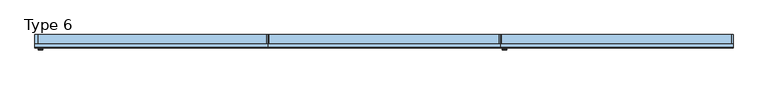
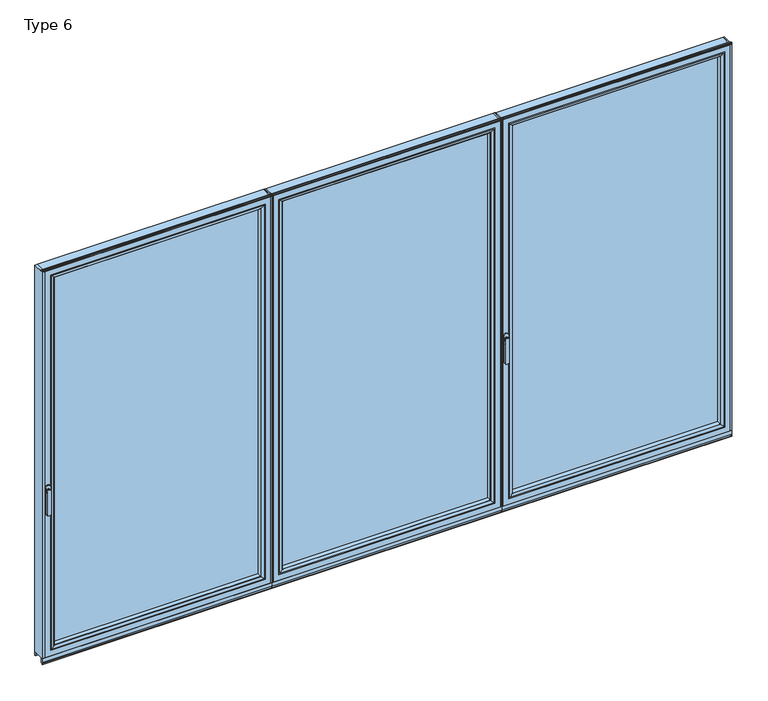
"""IFC4 building model written with IfcOpenShell, lengths in millimetres: window geometry, Type 6."""

from ifc_helpers import new_model, si_unit, point, frame, frame_2d, origin, place, context, project, spatial, polyline, circle_curve, ellipse_curve, trimmed, segment, composite_curve, outline, extrude, source, transform, mapped, element, save
from ifc_brep_helpers import plane_surface, cylinder_surface, extruded_surface, advanced_brep


def type_6_9a5353aa(model_context):
    return source(origin(), model_context, "Body", "SolidModel", [
        advanced_brep(
        [(42.2886308, -73.5, 1050.0), (18.3113692, -73.5, 1050.0), (42.2886308, -76.8965533, 1050.0), (18.3113692, -76.8965533, 1050.0), (42.2886308, -84.5, 1050.0), (18.3113692, -84.5, 1050.0), (18.3113692, -84.5, 918.6867153), (42.2886308, -84.5, 918.6867153), (42.2886308, -76.8965533, 918.6867153), (18.3113692, -76.8965533, 918.6867153)],
        [
            (0, 1, circle_curve(frame((30.3, -73.5, 1050.0), z_axis=(0.0, 1.0, 0.0), x_axis=(-1.0, 0.0, 0.0)), 11.9886308)),
            (1, 0, circle_curve(frame((30.3, -73.5, 1050.0), z_axis=(0.0, 1.0, 0.0), x_axis=(-1.0, 0.0, 0.0)), 11.9886308)),
            (0, 2),
            (2, 3, circle_curve(frame((30.3, -76.8965533, 1050.0), z_axis=(0.0, 1.0, 0.0), x_axis=(-1.0, 0.0, 0.0)), 11.9886308)),
            (3, 1),
            (3, 2, circle_curve(frame((30.3, -76.8965533, 1050.0), z_axis=(0.0, 1.0, 0.0), x_axis=(-1.0, 0.0, 0.0)), 11.9886308)),
            (4, 5, circle_curve(frame((30.3, -84.5, 1050.0), z_axis=(0.0, -1.0, 0.0), x_axis=(-1.0, 0.0, 0.0)), 11.9886308)),
            (5, 6),
            (6, 7, ellipse_curve(frame((30.3, -84.5, 918.6867153), z_axis=(0.0, -1.0, 0.0), x_axis=(1.0, 0.0, 0.0)), 11.9886308, 7.9050795)),
            (7, 4),
            (2, 8),
            (8, 9, ellipse_curve(frame((30.3, -76.8965533, 918.6867153), z_axis=(0.0, 1.0, 0.0), x_axis=(1.0, 0.0, 0.0)), 11.9886308, 7.9050795)),
            (9, 3),
            (7, 8),
            (2, 4),
            (6, 9),
            (5, 3),
        ],
        [
            plane_surface(frame((18.3113692, -73.5, 1050.0), z_axis=(0.0, 1.0, 0.0), x_axis=(0.0, 0.0, -1.0))),
            cylinder_surface(frame((30.3, -73.5, 1050.0), z_axis=(0.0, -1.0, 0.0), x_axis=(-1.0, 0.0, 0.0)), 11.9886308),
            plane_surface(frame((42.2886308, -84.5, 928.3382074), z_axis=(0.0, -1.0, 0.0), x_axis=(0.0, 0.0, -1.0))),
            plane_surface(frame((42.2886308, -76.8965533, 928.3382074), z_axis=(0.0, 1.0, 0.0), x_axis=(0.0, 0.0, 1.0))),
            plane_surface(frame((42.2886308, -84.5, 1050.0), z_axis=(1.0, 0.0, 0.0), x_axis=(0.0, 1.0, 0.0))),
            extruded_surface(trimmed(ellipse_curve(frame((30.3, -76.8965533, 918.6867153), z_axis=(0.0, 1.0, 0.0), x_axis=(1.0, 0.0, 0.0)), 11.9886308, 7.9050795), [point((42.2886308, -76.8965533, 918.6867153))], [point((18.3113692, -76.8965533, 918.6867153))], True, "CARTESIAN"), (0.0, 7.603446699999992, 0.0), 7.603446699999992),
            plane_surface(frame((18.3113692, -84.5, 918.6867153), z_axis=(-1.0, 0.0, 0.0), x_axis=(0.0, 1.0, 0.0))),
            cylinder_surface(frame((30.3, -76.8965533, 1050.0), z_axis=(0.0, -1.0, 0.0), x_axis=(-1.0, 0.0, 0.0)), 11.9886308),
        ],
        [
            (0, [[1, 2]]),
            (1, [[3, 4, 5, -1]]),
            (1, [[-5, 6, -3, -2]]),
            (2, [[7, 8, 9, 10]]),
            (3, [[-4, 11, 12, 13]]),
            (4, [[14, -11, 15, -10]]),
            (5, [[16, -12, -14, -9]]),
            (6, [[17, -13, -16, -8]]),
            (7, [[-15, -6, -17, -7]]),
        ],
    ),
        extrude(outline(composite_curve([segment(trimmed(circle_curve(frame_2d((1068.75, 30.3)), 14.0), [point((1068.75, 44.3))], [point((1068.75, 16.3))], False, "CARTESIAN"), True, "CONTINUOUS"), segment(polyline([(1068.75, 16.3), (1031.25, 16.3)]), True, "CONTINUOUS"), segment(trimmed(circle_curve(frame_2d((1031.25, 30.3)), 14.0), [point((1031.25, 16.3))], [point((1031.25, 44.3))], False, "CARTESIAN"), True, "CONTINUOUS"), segment(polyline([(1031.25, 44.3), (1068.75, 44.3)]), True, "CONTINUOUS")], self_intersect=False)), frame((0.0, -73.5, 0.0), z_axis=(0.0, 1.0, 0.0), x_axis=(0.0, 0.0, 1.0)), (0.0, 0.0, 1.0), 3.5),
        extrude(outline(polyline([(1272.9333333, 0.0), (1272.9333333, -70.0), (1266.9333333, -70.0), (1266.9333333, 0.0), (1272.9333333, 0.0)])), frame((0.0, 0.0, 75.0), z_axis=(0.0, 0.0, 1.0), x_axis=(1.0, 0.0, 0.0)), (0.0, 0.0, 1.0), 2262.0),
        extrude(outline(polyline([(0.0, 0.0), (14.3, 0.0), (14.3, -70.0), (0.0, -70.0), (0.0, 0.0)])), frame((0.0, 0.0, 75.0), z_axis=(0.0, 0.0, 1.0), x_axis=(1.0, 0.0, 0.0)), (0.0, 0.0, 1.0), 2262.0),
        extrude(outline(polyline([(1234.9333333, -13.999939), (1234.9333333, -37.9928974), (46.3, -37.9928974), (46.3, -13.999939), (1234.9333333, -13.999939)])), frame((0.0, 0.0, 107.0), z_axis=(0.0, 0.0, 1.0), x_axis=(1.0, 0.0, 0.0)), (0.0, 0.0, 1.0), 2198.0),
        advanced_brep(
        [(68.2995728, -64.5552044, 2283.0004272), (68.2995728, -64.5552044, 128.9995728), (68.2995728, -37.9928974, 128.9995728), (68.2995728, -37.9928974, 2283.0004272), (46.3, -37.9928974, 2305.0), (1234.9333333, -37.9928974, 2305.0), (1234.9333333, -37.9928974, 107.0), (46.3, -37.9928974, 107.0), (1212.9337606, -37.9928974, 2283.0004272), (1212.9337606, -37.9928974, 128.9995728), (1212.9337606, -64.5552044, 128.9995728), (67.5900293, -65.8045072, 2283.7099707), (67.5900293, -65.8045072, 128.2900293), (1213.643304, -65.8045072, 128.2900293), (52.299939, -70.0, 2299.000061), (52.299939, -70.0, 112.999939), (1228.9333944, -70.0, 112.999939), (1234.9333333, -70.0, 2305.0), (46.3, -70.0, 2305.0), (46.3, -70.0, 107.0), (1234.9333333, -70.0, 107.0), (1228.9333944, -70.0, 2299.000061), (1212.9337606, -64.5552044, 2283.0004272), (1213.643304, -65.8045072, 2283.7099707)],
        [
            (0, 1),
            (1, 2),
            (2, 3),
            (3, 0),
            (4, 5),
            (5, 6),
            (6, 7),
            (7, 4),
            (8, 3),
            (2, 9),
            (9, 8),
            (1, 10),
            (10, 9),
            (11, 12),
            (12, 1, ellipse_curve(frame((66.8449688, -64.5552044, 127.5449688), z_axis=(-0.7071067811865475, 0.0, 0.7071067811865475), x_axis=(0.7071067811865474, 0.0, 0.7071067811865476)), 2.0571207, 1.454604)),
            (0, 11, ellipse_curve(frame((66.8449688, -64.5552044, 2284.4550312), z_axis=(-0.7071067811865475, 0.0, -0.7071067811865475), x_axis=(-0.7071067811865474, 0.0, 0.7071067811865476)), 2.0571207, 1.454604)),
            (12, 13),
            (13, 10, ellipse_curve(frame((1214.3883645, -64.5552044, 127.5449688), z_axis=(-0.7071067811865475, 0.0, -0.7071067811865475), x_axis=(-0.7071067811865476, 0.0, 0.7071067811865474)), 2.0571207, 1.454604)),
            (14, 15),
            (15, 12, ellipse_curve(frame((52.3638746, -40.2735922, 113.0638746), z_axis=(-0.7071067811865475, 0.0, 0.7071067811865475), x_axis=(0.7071067811865474, 0.0, 0.7071067811865476)), 42.0395863, 29.7264765)),
            (11, 14, ellipse_curve(frame((52.3638746, -40.2735922, 2298.9361254), z_axis=(-0.7071067811865475, 0.0, -0.7071067811865475), x_axis=(-0.7071067811865474, 0.0, 0.7071067811865476)), 42.0395863, 29.7264765)),
            (15, 16),
            (16, 13, ellipse_curve(frame((1228.8694588, -40.2735922, 113.0638746), z_axis=(-0.7071067811865475, 0.0, -0.7071067811865475), x_axis=(-0.7071067811865476, 0.0, 0.7071067811865474)), 42.0395863, 29.7264765)),
            (17, 18),
            (18, 19),
            (19, 20),
            (20, 17),
            (14, 21),
            (21, 16),
            (7, 19),
            (18, 4),
            (6, 20),
            (10, 22),
            (22, 8),
            (13, 23),
            (23, 22, ellipse_curve(frame((1214.3883645, -64.5552044, 2284.4550312), z_axis=(0.7071067811865475, 0.0, -0.7071067811865475), x_axis=(-0.7071067811865474, 0.0, -0.7071067811865476)), 2.0571207, 1.454604)),
            (21, 23, ellipse_curve(frame((1228.8694588, -40.2735922, 2298.9361254), z_axis=(0.7071067811865475, 0.0, -0.7071067811865475), x_axis=(-0.7071067811865474, 0.0, -0.7071067811865476)), 42.0395863, 29.7264765)),
            (5, 17),
            (22, 0),
            (23, 11),
        ],
        [
            plane_surface(frame((68.2995728, -37.9928974, 2283.0004272), z_axis=(1.0, 0.0, 0.0), x_axis=(0.0, 0.0, -1.0))),
            plane_surface(frame((1234.9333333, -37.9928974, 107.0), z_axis=(0.0, 1.0, 0.0), x_axis=(0.0, 0.0, 1.0))),
            plane_surface(frame((68.2995728, -37.9928974, 128.9995728), z_axis=(0.0, 0.0, 1.0), x_axis=(1.0, 0.0, 0.0))),
            cylinder_surface(frame((66.8449688, -64.5552044, 2283.0004272), z_axis=(0.0, 0.0, 1.0), x_axis=(-1.0, 0.0, 0.0)), 1.454604),
            cylinder_surface(frame((68.2995728, -64.5552044, 127.5449688), z_axis=(-1.0, 0.0, 0.0), x_axis=(0.0, 0.0, -1.0)), 1.454604),
            cylinder_surface(frame((52.3638746, -40.2735922, 2283.0004272), z_axis=(0.0, 0.0, 1.0), x_axis=(-1.0, 0.0, 0.0)), 29.7264765),
            cylinder_surface(frame((68.2995728, -40.2735922, 113.0638746), z_axis=(-1.0, 0.0, 0.0), x_axis=(0.0, 0.0, -1.0)), 29.7264765),
            plane_surface(frame((1228.9333944, -70.0, 112.999939), z_axis=(0.0, -1.0, 0.0), x_axis=(0.0, 0.0, 1.0))),
            plane_surface(frame((46.3, -70.0, 2305.0), z_axis=(-1.0, 0.0, 0.0), x_axis=(0.0, 0.0, -1.0))),
            plane_surface(frame((46.3, -70.0, 107.0), z_axis=(0.0, 0.0, -1.0), x_axis=(1.0, 0.0, 0.0))),
            plane_surface(frame((1212.9337606, -37.9928974, 128.9995728), z_axis=(-1.0, 0.0, 0.0), x_axis=(0.0, 0.0, 1.0))),
            cylinder_surface(frame((1214.3883645, -64.5552044, 128.9995728), z_axis=(0.0, 0.0, -1.0), x_axis=(1.0, 0.0, 0.0)), 1.454604),
            cylinder_surface(frame((1228.8694588, -40.2735922, 128.9995728), z_axis=(0.0, 0.0, -1.0), x_axis=(1.0, 0.0, 0.0)), 29.7264765),
            plane_surface(frame((1234.9333333, -70.0, 107.0), z_axis=(1.0, 0.0, 0.0), x_axis=(0.0, 0.0, 1.0))),
            plane_surface(frame((1212.9337606, -37.9928974, 2283.0004272), z_axis=(0.0, 0.0, -1.0), x_axis=(-1.0, 0.0, 0.0))),
            cylinder_surface(frame((1212.9337606, -64.5552044, 2284.4550312), z_axis=(1.0, 0.0, 0.0), x_axis=(0.0, 0.0, 1.0)), 1.454604),
            cylinder_surface(frame((1212.9337606, -40.2735922, 2298.9361254), z_axis=(1.0, 0.0, 0.0), x_axis=(0.0, 0.0, 1.0)), 29.7264765),
            plane_surface(frame((1234.9333333, -70.0, 2305.0), z_axis=(0.0, 0.0, 1.0), x_axis=(-1.0, 0.0, 0.0))),
        ],
        [
            (0, [[1, 2, 3, 4]]),
            (1, [[5, 6, 7, 8], [9, -3, 10, 11]]),
            (2, [[12, 13, -10, -2]]),
            (3, [[14, 15, -1, 16]]),
            (4, [[17, 18, -12, -15]]),
            (5, [[19, 20, -14, 21]]),
            (6, [[22, 23, -17, -20]]),
            (7, [[24, 25, 26, 27], [28, 29, -22, -19]]),
            (8, [[-8, 30, -25, 31]]),
            (9, [[-7, 32, -26, -30]]),
            (10, [[33, 34, -11, -13]]),
            (11, [[35, 36, -33, -18]]),
            (12, [[-29, 37, -35, -23]]),
            (13, [[-6, 38, -27, -32]]),
            (14, [[39, -4, -9, -34]]),
            (15, [[40, -16, -39, -36]]),
            (16, [[-28, -21, -40, -37]]),
            (17, [[-5, -31, -24, -38]]),
        ],
    ),
        advanced_brep(
        [(1266.9333333, -70.0, 2337.0), (1266.9333333, -70.0, 75.0), (1266.9333333, 0.0, 75.0), (1266.9333333, 0.0, 2337.0), (14.3, -70.0, 75.0), (14.3, 0.0, 75.0), (14.3, 0.0, 2337.0), (63.7991901, 0.0, 124.4991901), (1217.4341433, 0.0, 124.4991901), (1217.4341433, 0.0, 2287.5008099), (63.7991901, 0.0, 2287.5008099), (14.3, -70.0, 2337.0), (1234.9333333, -70.0, 107.0), (46.3, -70.0, 107.0), (46.3, -70.0, 2305.0), (1234.9333333, -70.0, 2305.0), (1234.9333333, -13.999939, 2305.0), (1234.9333333, -13.999939, 107.0), (46.3, -13.999939, 107.0), (46.3, -13.999939, 2305.0), (1212.9337606, -13.999939, 128.9995728), (68.2995728, -13.999939, 128.9995728), (68.2995728, -13.999939, 2283.0004272), (1212.9337606, -13.999939, 2283.0004272), (1212.9337606, -4.5004435, 2283.0004272), (1212.9337606, -4.5004435, 128.9995728), (68.2995728, -4.5004435, 128.9995728), (68.2995728, -4.5004435, 2283.0004272)],
        [
            (0, 1),
            (1, 2),
            (2, 3),
            (3, 0),
            (1, 4),
            (4, 5),
            (5, 2),
            (5, 6),
            (6, 3),
            (7, 8),
            (8, 9),
            (9, 10),
            (10, 7),
            (4, 11),
            (11, 6),
            (0, 11),
            (12, 13),
            (13, 14),
            (14, 15),
            (15, 12),
            (16, 17),
            (17, 12),
            (15, 16),
            (17, 18),
            (18, 13),
            (18, 19),
            (19, 14),
            (16, 19),
            (20, 21),
            (21, 22),
            (22, 23),
            (23, 20),
            (24, 25),
            (25, 20),
            (23, 24),
            (25, 26),
            (26, 21),
            (26, 27),
            (27, 22),
            (7, 26, ellipse_curve(frame((63.7991901, -4.5004435, 124.4991901), z_axis=(0.7071067811865475, 0.0, -0.7071067811865475), x_axis=(0.7071067811865476, 0.0, 0.7071067811865474)), 6.3645023, 4.5003827)),
            (25, 8, ellipse_curve(frame((1217.4341433, -4.5004435, 124.4991901), z_axis=(-0.7071067811865475, 0.0, -0.7071067811865475), x_axis=(0.7071067811865476, 0.0, -0.7071067811865474)), 6.3645023, 4.5003827)),
            (24, 9, ellipse_curve(frame((1217.4341433, -4.5004435, 2287.5008099), z_axis=(0.7071067811865475, 0.0, -0.7071067811865475), x_axis=(0.7071067811865474, 0.0, 0.7071067811865476)), 6.3645023, 4.5003827)),
            (10, 27, ellipse_curve(frame((63.7991901, -4.5004435, 2287.5008099), z_axis=(-0.7071067811865475, 0.0, -0.7071067811865475), x_axis=(0.7071067811865474, 0.0, -0.7071067811865476)), 6.3645023, 4.5003827)),
            (27, 24),
        ],
        [
            plane_surface(frame((1266.9333333, 0.0, 2337.0), z_axis=(1.0, 0.0, 0.0), x_axis=(0.0, 0.0, -1.0))),
            plane_surface(frame((1266.9333333, 0.0, 75.0), z_axis=(0.0, 0.0, -1.0), x_axis=(-1.0, 0.0, 0.0))),
            plane_surface(frame((1217.4341433, 0.0, 2287.5008099), z_axis=(0.0, 1.0, 0.0), x_axis=(0.0, 0.0, -1.0))),
            plane_surface(frame((14.3, 0.0, 75.0), z_axis=(-1.0, 0.0, 0.0), x_axis=(0.0, 0.0, 1.0))),
            plane_surface(frame((1266.9333333, -70.0, 2337.0), z_axis=(0.0, -1.0, 0.0), x_axis=(0.0, 0.0, -1.0))),
            plane_surface(frame((1234.9333333, -70.0, 2305.0), z_axis=(-1.0, 0.0, 0.0), x_axis=(0.0, 0.0, -1.0))),
            plane_surface(frame((1234.9333333, -70.0, 107.0), z_axis=(0.0, 0.0, 1.0), x_axis=(-1.0, 0.0, 0.0))),
            plane_surface(frame((46.3, -70.0, 107.0), z_axis=(1.0, 0.0, 0.0), x_axis=(0.0, 0.0, 1.0))),
            plane_surface(frame((1234.9333333, -13.999939, 2305.0), z_axis=(0.0, -1.0, 0.0), x_axis=(0.0, 0.0, -1.0))),
            plane_surface(frame((1212.9337606, -13.999939, 2283.0004272), z_axis=(-1.0, 0.0, 0.0), x_axis=(0.0, 0.0, -1.0))),
            plane_surface(frame((1212.9337606, -13.999939, 128.9995728), z_axis=(0.0, 0.0, 1.0), x_axis=(-1.0, 0.0, 0.0))),
            plane_surface(frame((68.2995728, -13.999939, 128.9995728), z_axis=(1.0, 0.0, 0.0), x_axis=(0.0, 0.0, 1.0))),
            cylinder_surface(frame((1272.9333333, -4.5004435, 124.4991901), z_axis=(1.0, 0.0, 0.0), x_axis=(0.0, -1.0, 0.0)), 4.5003827),
            cylinder_surface(frame((1217.4341433, -4.5004435, 2343.0), z_axis=(0.0, 0.0, 1.0), x_axis=(0.0, -1.0, 0.0)), 4.5003827),
            cylinder_surface(frame((63.7991901, -4.5004435, 69.0), z_axis=(0.0, 0.0, -1.0), x_axis=(0.0, -1.0, 0.0)), 4.5003827),
            plane_surface(frame((14.3, 0.0, 2337.0), z_axis=(0.0, 0.0, 1.0), x_axis=(1.0, 0.0, 0.0))),
            plane_surface(frame((46.3, -70.0, 2305.0), z_axis=(0.0, 0.0, -1.0), x_axis=(1.0, 0.0, 0.0))),
            plane_surface(frame((68.2995728, -13.999939, 2283.0004272), z_axis=(0.0, 0.0, -1.0), x_axis=(1.0, 0.0, 0.0))),
            cylinder_surface(frame((8.3, -4.5004435, 2287.5008099), z_axis=(-1.0, 0.0, 0.0), x_axis=(0.0, -1.0, 0.0)), 4.5003827),
        ],
        [
            (0, [[1, 2, 3, 4]]),
            (1, [[5, 6, 7, -2]]),
            (2, [[-7, 8, 9, -3], [10, 11, 12, 13]]),
            (3, [[14, 15, -8, -6]]),
            (4, [[-5, -1, 16, -14], [17, 18, 19, 20]]),
            (5, [[21, 22, -20, 23]]),
            (6, [[24, 25, -17, -22]]),
            (7, [[26, 27, -18, -25]]),
            (8, [[-24, -21, 28, -26], [29, 30, 31, 32]]),
            (9, [[33, 34, -32, 35]]),
            (10, [[36, 37, -29, -34]]),
            (11, [[38, 39, -30, -37]]),
            (12, [[-10, 40, -36, 41]]),
            (13, [[-11, -41, -33, 42]]),
            (14, [[-13, 43, -38, -40]]),
            (15, [[-16, -4, -9, -15]]),
            (16, [[-28, -23, -19, -27]]),
            (17, [[44, -35, -31, -39]]),
            (18, [[-12, -42, -44, -43]]),
        ],
    ),
        extrude(outline(polyline([(1272.9333333, -7.6000076), (0.0, -7.6000076), (0.0, 0.0), (1272.9333333, 0.0), (1272.9333333, -7.6000076)])), frame((0.0, 0.0, 52.9995117), z_axis=(0.0, 0.0, 1.0), x_axis=(1.0, 0.0, 0.0)), (0.0, 0.0, 1.0), 22.0004883),
        extrude(outline(composite_curve([segment(polyline([(-70.0, 45.0), (-70.0, 41.2896854), (-70.8737, 41.2896854), (-71.8670103, 44.9870904)]), True, "CONTINUOUS"), segment(trimmed(circle_curve(frame_2d((-69.9354978, 45.5059925)), 2.0), [point((-71.8670103, 44.9870904))], [point((-71.8566157, 46.0621453))], False, "CARTESIAN"), True, "CONTINUOUS"), segment(polyline([(-71.8566157, 46.0621453), (-70.0, 52.4754501), (-70.0, 75.0), (-62.2757497, 75.0), (-62.2757497, 45.0), (-70.0, 45.0)]), True, "CONTINUOUS")], self_intersect=False)), frame((0.0, 0.0, 0.0), z_axis=(1.0, 0.0, 0.0), x_axis=(0.0, 1.0, 0.0)), (0.0, 0.0, 1.0), 1272.9333333),
        extrude(outline(composite_curve([segment(polyline([(-52.044326, 2339.1400778), (-52.044326, 2337.0), (-70.0, 2337.0), (-71.8735116, 2343.9547971)]), True, "CONTINUOUS"), segment(trimmed(circle_curve(frame_2d((-69.9423544, 2344.4750201)), 2.0), [point((-71.8735116, 2343.9547971))], [point((-71.8738669, 2344.9939222))], False, "CARTESIAN"), True, "CONTINUOUS"), segment(polyline([(-71.8738669, 2344.9939222), (-70.8937897, 2348.6420698), (-70.0, 2348.6420698), (-70.0, 2342.963961), (-68.6363596, 2339.1400778), (-52.044326, 2339.1400778)]), True, "CONTINUOUS")], self_intersect=False)), frame((0.0, 0.0, 0.0), z_axis=(1.0, 0.0, 0.0), x_axis=(0.0, 1.0, 0.0)), (0.0, 0.0, 1.0), 1272.9333333),
        extrude(outline(polyline([(1272.9333333, 0.0), (1278.9333333, 0.0), (1278.9333333, -70.0), (1272.9333333, -70.0), (1272.9333333, 0.0)])), frame((0.0, 0.0, 75.0), z_axis=(0.0, 0.0, 1.0), x_axis=(1.0, 0.0, 0.0)), (0.0, 0.0, 1.0), 2262.0),
        extrude(outline(polyline([(2545.8666667, 0.0), (2545.8666667, -70.0), (2539.8666667, -70.0), (2539.8666667, 0.0), (2545.8666667, 0.0)])), frame((0.0, 0.0, 75.0), z_axis=(0.0, 0.0, 1.0), x_axis=(1.0, 0.0, 0.0)), (0.0, 0.0, 1.0), 2262.0),
        extrude(outline(polyline([(1310.9333333, -13.999939), (2507.8666667, -13.999939), (2507.8666667, -37.9928974), (1310.9333333, -37.9928974), (1310.9333333, -13.999939)])), frame((0.0, 0.0, 107.0), z_axis=(0.0, 0.0, 1.0), x_axis=(1.0, 0.0, 0.0)), (0.0, 0.0, 1.0), 2198.0),
        advanced_brep(
        [(2485.8670939, -64.5552044, 2283.0004272), (2485.8670939, -37.9928974, 2283.0004272), (2485.8670939, -37.9928974, 128.9995728), (2485.8670939, -64.5552044, 128.9995728), (2507.8666667, -37.9928974, 2305.0), (2507.8666667, -37.9928974, 107.0), (1310.9333333, -37.9928974, 107.0), (1310.9333333, -37.9928974, 2305.0), (1332.9329061, -37.9928974, 2283.0004272), (1332.9329061, -37.9928974, 128.9995728), (1332.9329061, -64.5552044, 128.9995728), (2486.5766373, -65.8045072, 2283.7099707), (2486.5766373, -65.8045072, 128.2900293), (1332.2233627, -65.8045072, 128.2900293), (2501.8667277, -70.0, 2299.000061), (2501.8667277, -70.0, 112.999939), (1316.9332723, -70.0, 112.999939), (1310.9333333, -70.0, 2305.0), (1310.9333333, -70.0, 107.0), (2507.8666667, -70.0, 107.0), (2507.8666667, -70.0, 2305.0), (1316.9332723, -70.0, 2299.000061), (1332.9329061, -64.5552044, 2283.0004272), (1332.2233627, -65.8045072, 2283.7099707)],
        [
            (0, 1),
            (1, 2),
            (2, 3),
            (3, 0),
            (4, 5),
            (5, 6),
            (6, 7),
            (7, 4),
            (8, 9),
            (9, 2),
            (1, 8),
            (9, 10),
            (10, 3),
            (11, 0, ellipse_curve(frame((2487.3216979, -64.5552044, 2284.4550312), z_axis=(0.7071067811865475, 0.0, -0.7071067811865475), x_axis=(0.7071067811865474, 0.0, 0.7071067811865476)), 2.0571207, 1.454604)),
            (3, 12, ellipse_curve(frame((2487.3216979, -64.5552044, 127.5449688), z_axis=(0.7071067811865475, 0.0, 0.7071067811865475), x_axis=(-0.7071067811865474, 0.0, 0.7071067811865476)), 2.0571207, 1.454604)),
            (12, 11),
            (10, 13, ellipse_curve(frame((1331.4783021, -64.5552044, 127.5449688), z_axis=(0.7071067811865475, 0.0, -0.7071067811865475), x_axis=(0.7071067811865476, 0.0, 0.7071067811865474)), 2.0571207, 1.454604)),
            (13, 12),
            (14, 11, ellipse_curve(frame((2501.8027921, -40.2735922, 2298.9361254), z_axis=(0.7071067811865475, 0.0, -0.7071067811865475), x_axis=(0.7071067811865474, 0.0, 0.7071067811865476)), 42.0395863, 29.7264765)),
            (12, 15, ellipse_curve(frame((2501.8027921, -40.2735922, 113.0638746), z_axis=(0.7071067811865475, 0.0, 0.7071067811865475), x_axis=(-0.7071067811865474, 0.0, 0.7071067811865476)), 42.0395863, 29.7264765)),
            (15, 14),
            (13, 16, ellipse_curve(frame((1316.9972079, -40.2735922, 113.0638746), z_axis=(0.7071067811865475, 0.0, -0.7071067811865475), x_axis=(0.7071067811865476, 0.0, 0.7071067811865474)), 42.0395863, 29.7264765)),
            (16, 15),
            (17, 18),
            (18, 19),
            (19, 20),
            (20, 17),
            (16, 21),
            (21, 14),
            (4, 20),
            (19, 5),
            (18, 6),
            (8, 22),
            (22, 10),
            (22, 23, ellipse_curve(frame((1331.4783021, -64.5552044, 2284.4550312), z_axis=(-0.7071067811865475, 0.0, -0.7071067811865475), x_axis=(0.7071067811865474, 0.0, -0.7071067811865476)), 2.0571207, 1.454604)),
            (23, 13),
            (23, 21, ellipse_curve(frame((1316.9972079, -40.2735922, 2298.9361254), z_axis=(-0.7071067811865475, 0.0, -0.7071067811865475), x_axis=(0.7071067811865474, 0.0, -0.7071067811865476)), 42.0395863, 29.7264765)),
            (17, 7),
            (0, 22),
            (11, 23),
        ],
        [
            plane_surface(frame((2485.8670939, -37.9928974, 2283.0004272), z_axis=(-1.0, 0.0, 0.0), x_axis=(0.0, 0.0, -1.0))),
            plane_surface(frame((1310.9333333, -37.9928974, 107.0), z_axis=(0.0, 1.0, 0.0), x_axis=(0.0, 0.0, 1.0))),
            plane_surface(frame((2485.8670939, -37.9928974, 128.9995728), z_axis=(0.0, 0.0, 1.0), x_axis=(-1.0, 0.0, 0.0))),
            cylinder_surface(frame((2487.3216979, -64.5552044, 2283.0004272), z_axis=(0.0, 0.0, 1.0), x_axis=(1.0, 0.0, 0.0)), 1.454604),
            cylinder_surface(frame((2485.8670939, -64.5552044, 127.5449688), z_axis=(1.0, 0.0, 0.0), x_axis=(0.0, 0.0, -1.0)), 1.454604),
            cylinder_surface(frame((2501.8027921, -40.2735922, 2283.0004272), z_axis=(0.0, 0.0, 1.0), x_axis=(1.0, 0.0, 0.0)), 29.7264765),
            cylinder_surface(frame((2485.8670939, -40.2735922, 113.0638746), z_axis=(1.0, 0.0, 0.0), x_axis=(0.0, 0.0, -1.0)), 29.7264765),
            plane_surface(frame((1316.9332723, -70.0, 112.999939), z_axis=(0.0, -1.0, 0.0), x_axis=(0.0, 0.0, 1.0))),
            plane_surface(frame((2507.8666667, -70.0, 2305.0), z_axis=(1.0, 0.0, 0.0), x_axis=(0.0, 0.0, -1.0))),
            plane_surface(frame((2507.8666667, -70.0, 107.0), z_axis=(0.0, 0.0, -1.0), x_axis=(-1.0, 0.0, 0.0))),
            plane_surface(frame((1332.9329061, -37.9928974, 128.9995728), z_axis=(1.0, 0.0, 0.0), x_axis=(0.0, 0.0, 1.0))),
            cylinder_surface(frame((1331.4783021, -64.5552044, 128.9995728), z_axis=(0.0, 0.0, -1.0), x_axis=(-1.0, 0.0, 0.0)), 1.454604),
            cylinder_surface(frame((1316.9972079, -40.2735922, 128.9995728), z_axis=(0.0, 0.0, -1.0), x_axis=(-1.0, 0.0, 0.0)), 29.7264765),
            plane_surface(frame((1310.9333333, -70.0, 107.0), z_axis=(-1.0, 0.0, 0.0), x_axis=(0.0, 0.0, 1.0))),
            plane_surface(frame((1332.9329061, -37.9928974, 2283.0004272), z_axis=(0.0, 0.0, -1.0), x_axis=(1.0, 0.0, 0.0))),
            cylinder_surface(frame((1332.9329061, -64.5552044, 2284.4550312), z_axis=(-1.0, 0.0, 0.0), x_axis=(0.0, 0.0, 1.0)), 1.454604),
            cylinder_surface(frame((1332.9329061, -40.2735922, 2298.9361254), z_axis=(-1.0, 0.0, 0.0), x_axis=(0.0, 0.0, 1.0)), 29.7264765),
            plane_surface(frame((1310.9333333, -70.0, 2305.0), z_axis=(0.0, 0.0, 1.0), x_axis=(1.0, 0.0, 0.0))),
        ],
        [
            (0, [[1, 2, 3, 4]]),
            (1, [[5, 6, 7, 8], [9, 10, -2, 11]]),
            (2, [[-3, -10, 12, 13]]),
            (3, [[14, -4, 15, 16]]),
            (4, [[-15, -13, 17, 18]]),
            (5, [[19, -16, 20, 21]]),
            (6, [[-20, -18, 22, 23]]),
            (7, [[24, 25, 26, 27], [-21, -23, 28, 29]]),
            (8, [[30, -26, 31, -5]]),
            (9, [[-31, -25, 32, -6]]),
            (10, [[-12, -9, 33, 34]]),
            (11, [[-17, -34, 35, 36]]),
            (12, [[-22, -36, 37, -28]]),
            (13, [[-32, -24, 38, -7]]),
            (14, [[-33, -11, -1, 39]]),
            (15, [[-35, -39, -14, 40]]),
            (16, [[-37, -40, -19, -29]]),
            (17, [[-38, -27, -30, -8]]),
        ],
    ),
        advanced_brep(
        [(1278.9333333, -70.0, 2337.0), (1278.9333333, 0.0, 2337.0), (1278.9333333, 0.0, 75.0), (1278.9333333, -70.0, 75.0), (2539.8666667, 0.0, 75.0), (2539.8666667, -70.0, 75.0), (2539.8666667, 0.0, 2337.0), (2490.3674766, 0.0, 124.4991901), (2490.3674766, 0.0, 2287.5008099), (1328.4325234, 0.0, 2287.5008099), (1328.4325234, 0.0, 124.4991901), (2539.8666667, -70.0, 2337.0), (1310.9333333, -70.0, 107.0), (1310.9333333, -70.0, 2305.0), (2507.8666667, -70.0, 2305.0), (2507.8666667, -70.0, 107.0), (1310.9333333, -13.999939, 2305.0), (1310.9333333, -13.999939, 107.0), (2507.8666667, -13.999939, 107.0), (2507.8666667, -13.999939, 2305.0), (1332.9329061, -13.999939, 128.9995728), (1332.9329061, -13.999939, 2283.0004272), (2485.8670939, -13.999939, 2283.0004272), (2485.8670939, -13.999939, 128.9995728), (1332.9329061, -4.5004435, 2283.0004272), (1332.9329061, -4.5004435, 128.9995728), (2485.8670939, -4.5004435, 128.9995728), (2485.8670939, -4.5004435, 2283.0004272)],
        [
            (0, 1),
            (1, 2),
            (2, 3),
            (3, 0),
            (2, 4),
            (4, 5),
            (5, 3),
            (1, 6),
            (6, 4),
            (7, 8),
            (8, 9),
            (9, 10),
            (10, 7),
            (6, 11),
            (11, 5),
            (11, 0),
            (12, 13),
            (13, 14),
            (14, 15),
            (15, 12),
            (16, 13),
            (12, 17),
            (17, 16),
            (15, 18),
            (18, 17),
            (14, 19),
            (19, 18),
            (19, 16),
            (20, 21),
            (21, 22),
            (22, 23),
            (23, 20),
            (24, 21),
            (20, 25),
            (25, 24),
            (23, 26),
            (26, 25),
            (22, 27),
            (27, 26),
            (10, 25, ellipse_curve(frame((1328.4325234, -4.5004435, 124.4991901), z_axis=(0.7071067811865475, 0.0, -0.7071067811865475), x_axis=(-0.7071067811865476, 0.0, -0.7071067811865474)), 6.3645023, 4.5003827)),
            (26, 7, ellipse_curve(frame((2490.3674766, -4.5004435, 124.4991901), z_axis=(-0.7071067811865475, 0.0, -0.7071067811865475), x_axis=(-0.7071067811865476, 0.0, 0.7071067811865474)), 6.3645023, 4.5003827)),
            (9, 24, ellipse_curve(frame((1328.4325234, -4.5004435, 2287.5008099), z_axis=(-0.7071067811865475, 0.0, -0.7071067811865475), x_axis=(-0.7071067811865474, 0.0, 0.7071067811865476)), 6.3645023, 4.5003827)),
            (27, 8, ellipse_curve(frame((2490.3674766, -4.5004435, 2287.5008099), z_axis=(0.7071067811865475, 0.0, -0.7071067811865475), x_axis=(-0.7071067811865474, 0.0, -0.7071067811865476)), 6.3645023, 4.5003827)),
            (24, 27),
        ],
        [
            plane_surface(frame((1278.9333333, 0.0, 2337.0), z_axis=(-1.0, 0.0, 0.0), x_axis=(0.0, 0.0, -1.0))),
            plane_surface(frame((1278.9333333, 0.0, 75.0), z_axis=(0.0, 0.0, -1.0), x_axis=(1.0, 0.0, 0.0))),
            plane_surface(frame((1328.4325234, 0.0, 2287.5008099), z_axis=(0.0, 1.0, 0.0), x_axis=(0.0, 0.0, -1.0))),
            plane_surface(frame((2539.8666667, 0.0, 75.0), z_axis=(1.0, 0.0, 0.0), x_axis=(0.0, 0.0, 1.0))),
            plane_surface(frame((1278.9333333, -70.0, 2337.0), z_axis=(0.0, -1.0, 0.0), x_axis=(0.0, 0.0, -1.0))),
            plane_surface(frame((1310.9333333, -70.0, 2305.0), z_axis=(1.0, 0.0, 0.0), x_axis=(0.0, 0.0, -1.0))),
            plane_surface(frame((1310.9333333, -70.0, 107.0), z_axis=(0.0, 0.0, 1.0), x_axis=(1.0, 0.0, 0.0))),
            plane_surface(frame((2507.8666667, -70.0, 107.0), z_axis=(-1.0, 0.0, 0.0), x_axis=(0.0, 0.0, 1.0))),
            plane_surface(frame((1310.9333333, -13.999939, 2305.0), z_axis=(0.0, -1.0, 0.0), x_axis=(0.0, 0.0, -1.0))),
            plane_surface(frame((1332.9329061, -13.999939, 2283.0004272), z_axis=(1.0, 0.0, 0.0), x_axis=(0.0, 0.0, -1.0))),
            plane_surface(frame((1332.9329061, -13.999939, 128.9995728), z_axis=(0.0, 0.0, 1.0), x_axis=(1.0, 0.0, 0.0))),
            plane_surface(frame((2485.8670939, -13.999939, 128.9995728), z_axis=(-1.0, 0.0, 0.0), x_axis=(0.0, 0.0, 1.0))),
            cylinder_surface(frame((1272.9333333, -4.5004435, 124.4991901), z_axis=(-1.0, 0.0, 0.0), x_axis=(0.0, -1.0, 0.0)), 4.5003827),
            cylinder_surface(frame((1328.4325234, -4.5004435, 2343.0), z_axis=(0.0, 0.0, 1.0), x_axis=(0.0, -1.0, 0.0)), 4.5003827),
            cylinder_surface(frame((2490.3674766, -4.5004435, 69.0), z_axis=(0.0, 0.0, -1.0), x_axis=(0.0, -1.0, 0.0)), 4.5003827),
            plane_surface(frame((2539.8666667, 0.0, 2337.0), z_axis=(0.0, 0.0, 1.0), x_axis=(-1.0, 0.0, 0.0))),
            plane_surface(frame((2507.8666667, -70.0, 2305.0), z_axis=(0.0, 0.0, -1.0), x_axis=(-1.0, 0.0, 0.0))),
            plane_surface(frame((2485.8670939, -13.999939, 2283.0004272), z_axis=(0.0, 0.0, -1.0), x_axis=(-1.0, 0.0, 0.0))),
            cylinder_surface(frame((2545.8666667, -4.5004435, 2287.5008099), z_axis=(1.0, 0.0, 0.0), x_axis=(0.0, -1.0, 0.0)), 4.5003827),
        ],
        [
            (0, [[1, 2, 3, 4]]),
            (1, [[-3, 5, 6, 7]]),
            (2, [[-2, 8, 9, -5], [10, 11, 12, 13]]),
            (3, [[-6, -9, 14, 15]]),
            (4, [[-15, 16, -4, -7], [17, 18, 19, 20]]),
            (5, [[21, -17, 22, 23]]),
            (6, [[-22, -20, 24, 25]]),
            (7, [[-24, -19, 26, 27]]),
            (8, [[-27, 28, -23, -25], [29, 30, 31, 32]]),
            (9, [[33, -29, 34, 35]]),
            (10, [[-34, -32, 36, 37]]),
            (11, [[-36, -31, 38, 39]]),
            (12, [[40, -37, 41, -13]]),
            (13, [[42, -35, -40, -12]]),
            (14, [[-41, -39, 43, -10]]),
            (15, [[-14, -8, -1, -16]]),
            (16, [[-26, -18, -21, -28]]),
            (17, [[-38, -30, -33, 44]]),
            (18, [[-43, -44, -42, -11]]),
        ],
    ),
        extrude(outline(polyline([(1272.9333333, -7.6000076), (1272.9333333, 0.0), (2545.8666667, 0.0), (2545.8666667, -7.6000076), (1272.9333333, -7.6000076)])), frame((0.0, 0.0, 52.9995117), z_axis=(0.0, 0.0, 1.0), x_axis=(1.0, 0.0, 0.0)), (0.0, 0.0, 1.0), 22.0004883),
        extrude(outline(composite_curve([segment(polyline([(-70.0, 45.0), (-70.0, 41.2896854), (-70.8737, 41.2896854), (-71.8670103, 44.9870904)]), True, "CONTINUOUS"), segment(trimmed(circle_curve(frame_2d((-69.9354978, 45.5059925)), 2.0), [point((-71.8670103, 44.9870904))], [point((-71.8566157, 46.0621453))], False, "CARTESIAN"), True, "CONTINUOUS"), segment(polyline([(-71.8566157, 46.0621453), (-70.0, 52.4754501), (-70.0, 75.0), (-62.2757497, 75.0), (-62.2757497, 45.0), (-70.0, 45.0)]), True, "CONTINUOUS")], self_intersect=False)), frame((1272.9333333, 0.0, 0.0), z_axis=(1.0, 0.0, 0.0), x_axis=(0.0, 1.0, 0.0)), (0.0, 0.0, 1.0), 1272.9333333),
        extrude(outline(composite_curve([segment(polyline([(-52.044326, 2339.1400778), (-52.044326, 2337.0), (-70.0, 2337.0), (-71.8735116, 2343.9547971)]), True, "CONTINUOUS"), segment(trimmed(circle_curve(frame_2d((-69.9423544, 2344.4750201)), 2.0), [point((-71.8735116, 2343.9547971))], [point((-71.8738669, 2344.9939222))], False, "CARTESIAN"), True, "CONTINUOUS"), segment(polyline([(-71.8738669, 2344.9939222), (-70.8937897, 2348.6420698), (-70.0, 2348.6420698), (-70.0, 2342.963961), (-68.6363596, 2339.1400778), (-52.044326, 2339.1400778)]), True, "CONTINUOUS")], self_intersect=False)), frame((1272.9333333, 0.0, 0.0), z_axis=(1.0, 0.0, 0.0), x_axis=(0.0, 1.0, 0.0)), (0.0, 0.0, 1.0), 1272.9333333),
        advanced_brep(
        [(2579.8552975, -73.5, 1050.0), (2555.8780359, -73.5, 1050.0), (2579.8552975, -76.8965533, 1050.0), (2555.8780359, -76.8965533, 1050.0), (2579.8552975, -84.5, 1050.0), (2555.8780359, -84.5, 1050.0), (2555.8780359, -84.5, 918.6867153), (2579.8552975, -84.5, 918.6867153), (2579.8552975, -76.8965533, 918.6867153), (2555.8780359, -76.8965533, 918.6867153)],
        [
            (0, 1, circle_curve(frame((2567.8666667, -73.5, 1050.0), z_axis=(0.0, 1.0, 0.0), x_axis=(-1.0, 0.0, 0.0)), 11.9886308)),
            (1, 0, circle_curve(frame((2567.8666667, -73.5, 1050.0), z_axis=(0.0, 1.0, 0.0), x_axis=(-1.0, 0.0, 0.0)), 11.9886308)),
            (0, 2),
            (2, 3, circle_curve(frame((2567.8666667, -76.8965533, 1050.0), z_axis=(0.0, 1.0, 0.0), x_axis=(-1.0, 0.0, 0.0)), 11.9886308)),
            (3, 1),
            (3, 2, circle_curve(frame((2567.8666667, -76.8965533, 1050.0), z_axis=(0.0, 1.0, 0.0), x_axis=(-1.0, 0.0, 0.0)), 11.9886308)),
            (4, 5, circle_curve(frame((2567.8666667, -84.5, 1050.0), z_axis=(0.0, -1.0, 0.0), x_axis=(-1.0, 0.0, 0.0)), 11.9886308)),
            (5, 6),
            (6, 7, ellipse_curve(frame((2567.8666667, -84.5, 918.6867153), z_axis=(0.0, -1.0, 0.0), x_axis=(1.0, 0.0, 0.0)), 11.9886308, 7.9050795)),
            (7, 4),
            (2, 8),
            (8, 9, ellipse_curve(frame((2567.8666667, -76.8965533, 918.6867153), z_axis=(0.0, 1.0, 0.0), x_axis=(1.0, 0.0, 0.0)), 11.9886308, 7.9050795)),
            (9, 3),
            (7, 8),
            (2, 4),
            (6, 9),
            (5, 3),
        ],
        [
            plane_surface(frame((2555.8780359, -73.5, 1050.0), z_axis=(0.0, 1.0, 0.0), x_axis=(0.0, 0.0, -1.0))),
            cylinder_surface(frame((2567.8666667, -73.5, 1050.0), z_axis=(0.0, -1.0, 0.0), x_axis=(-1.0, 0.0, 0.0)), 11.9886308),
            plane_surface(frame((2579.8552975, -84.5, 928.3382074), z_axis=(0.0, -1.0, 0.0), x_axis=(0.0, 0.0, -1.0))),
            plane_surface(frame((2579.8552975, -76.8965533, 928.3382074), z_axis=(0.0, 1.0, 0.0), x_axis=(0.0, 0.0, 1.0))),
            plane_surface(frame((2579.8552975, -84.5, 1050.0), z_axis=(1.0, 0.0, 0.0), x_axis=(0.0, 1.0, 0.0))),
            extruded_surface(trimmed(ellipse_curve(frame((2567.8666667, -76.8965533, 918.6867153), z_axis=(0.0, 1.0, 0.0), x_axis=(1.0, 0.0, 0.0)), 11.9886308, 7.9050795), [point((2579.8552975, -76.8965533, 918.6867153))], [point((2555.8780359, -76.8965533, 918.6867153))], True, "CARTESIAN"), (0.0, 7.603446699999992, 0.0), 7.603446699999992),
            plane_surface(frame((2555.8780359, -84.5, 918.6867153), z_axis=(-1.0, 0.0, 0.0), x_axis=(0.0, 1.0, 0.0))),
            cylinder_surface(frame((2567.8666667, -76.8965533, 1050.0), z_axis=(0.0, -1.0, 0.0), x_axis=(-1.0, 0.0, 0.0)), 11.9886308),
        ],
        [
            (0, [[1, 2]]),
            (1, [[3, 4, 5, -1]]),
            (1, [[-5, 6, -3, -2]]),
            (2, [[7, 8, 9, 10]]),
            (3, [[-4, 11, 12, 13]]),
            (4, [[14, -11, 15, -10]]),
            (5, [[16, -12, -14, -9]]),
            (6, [[17, -13, -16, -8]]),
            (7, [[-15, -6, -17, -7]]),
        ],
    ),
        extrude(outline(composite_curve([segment(trimmed(circle_curve(frame_2d((1068.75, 2567.8666667)), 14.0), [point((1068.75, 2581.8666667))], [point((1068.75, 2553.8666667))], False, "CARTESIAN"), True, "CONTINUOUS"), segment(polyline([(1068.75, 2553.8666667), (1031.25, 2553.8666667)]), True, "CONTINUOUS"), segment(trimmed(circle_curve(frame_2d((1031.25, 2567.8666667)), 14.0), [point((1031.25, 2553.8666667))], [point((1031.25, 2581.8666667))], False, "CARTESIAN"), True, "CONTINUOUS"), segment(polyline([(1031.25, 2581.8666667), (1068.75, 2581.8666667)]), True, "CONTINUOUS")], self_intersect=False)), frame((0.0, -73.5, 0.0), z_axis=(0.0, 1.0, 0.0), x_axis=(0.0, 0.0, 1.0)), (0.0, 0.0, 1.0), 3.5),
        extrude(outline(polyline([(3818.8, 0.0), (3818.8, -70.0), (3812.8, -70.0), (3812.8, 0.0), (3818.8, 0.0)])), frame((0.0, 0.0, 75.0), z_axis=(0.0, 0.0, 1.0), x_axis=(1.0, 0.0, 0.0)), (0.0, 0.0, 1.0), 2262.0),
        extrude(outline(polyline([(2545.8666667, 0.0), (2551.8666667, 0.0), (2551.8666667, -70.0), (2545.8666667, -70.0), (2545.8666667, 0.0)])), frame((0.0, 0.0, 75.0), z_axis=(0.0, 0.0, 1.0), x_axis=(1.0, 0.0, 0.0)), (0.0, 0.0, 1.0), 2262.0),
        extrude(outline(polyline([(3780.8, -13.999939), (3780.8, -37.9928974), (2583.8666667, -37.9928974), (2583.8666667, -13.999939), (3780.8, -13.999939)])), frame((0.0, 0.0, 107.0), z_axis=(0.0, 0.0, 1.0), x_axis=(1.0, 0.0, 0.0)), (0.0, 0.0, 1.0), 2198.0),
        advanced_brep(
        [(2605.8662394, -64.5552044, 2283.0004272), (2605.8662394, -64.5552044, 128.9995728), (2605.8662394, -37.9928974, 128.9995728), (2605.8662394, -37.9928974, 2283.0004272), (2583.8666667, -37.9928974, 2305.0), (3780.8, -37.9928974, 2305.0), (3780.8, -37.9928974, 107.0), (2583.8666667, -37.9928974, 107.0), (3758.8004272, -37.9928974, 2283.0004272), (3758.8004272, -37.9928974, 128.9995728), (3758.8004272, -64.5552044, 128.9995728), (2605.156696, -65.8045072, 2283.7099707), (2605.156696, -65.8045072, 128.2900293), (3759.5099707, -65.8045072, 128.2900293), (2589.8666056, -70.0, 2299.000061), (2589.8666056, -70.0, 112.999939), (3774.800061, -70.0, 112.999939), (3780.8, -70.0, 2305.0), (2583.8666667, -70.0, 2305.0), (2583.8666667, -70.0, 107.0), (3780.8, -70.0, 107.0), (3774.800061, -70.0, 2299.000061), (3758.8004272, -64.5552044, 2283.0004272), (3759.5099707, -65.8045072, 2283.7099707)],
        [
            (0, 1),
            (1, 2),
            (2, 3),
            (3, 0),
            (4, 5),
            (5, 6),
            (6, 7),
            (7, 4),
            (8, 3),
            (2, 9),
            (9, 8),
            (1, 10),
            (10, 9),
            (11, 12),
            (12, 1, ellipse_curve(frame((2604.4116355, -64.5552044, 127.5449688), z_axis=(-0.7071067811865475, 0.0, 0.7071067811865475), x_axis=(0.7071067811865474, 0.0, 0.7071067811865476)), 2.0571207, 1.454604)),
            (0, 11, ellipse_curve(frame((2604.4116355, -64.5552044, 2284.4550312), z_axis=(-0.7071067811865475, 0.0, -0.7071067811865475), x_axis=(-0.7071067811865474, 0.0, 0.7071067811865476)), 2.0571207, 1.454604)),
            (12, 13),
            (13, 10, ellipse_curve(frame((3760.2550312, -64.5552044, 127.5449688), z_axis=(-0.7071067811865475, 0.0, -0.7071067811865475), x_axis=(-0.7071067811865476, 0.0, 0.7071067811865474)), 2.0571207, 1.454604)),
            (14, 15),
            (15, 12, ellipse_curve(frame((2589.9305412, -40.2735922, 113.0638746), z_axis=(-0.7071067811865475, 0.0, 0.7071067811865475), x_axis=(0.7071067811865474, 0.0, 0.7071067811865476)), 42.0395863, 29.7264765)),
            (11, 14, ellipse_curve(frame((2589.9305412, -40.2735922, 2298.9361254), z_axis=(-0.7071067811865475, 0.0, -0.7071067811865475), x_axis=(-0.7071067811865474, 0.0, 0.7071067811865476)), 42.0395863, 29.7264765)),
            (15, 16),
            (16, 13, ellipse_curve(frame((3774.7361254, -40.2735922, 113.0638746), z_axis=(-0.7071067811865475, 0.0, -0.7071067811865475), x_axis=(-0.7071067811865476, 0.0, 0.7071067811865474)), 42.0395863, 29.7264765)),
            (17, 18),
            (18, 19),
            (19, 20),
            (20, 17),
            (14, 21),
            (21, 16),
            (7, 19),
            (18, 4),
            (6, 20),
            (10, 22),
            (22, 8),
            (13, 23),
            (23, 22, ellipse_curve(frame((3760.2550312, -64.5552044, 2284.4550312), z_axis=(0.7071067811865475, 0.0, -0.7071067811865475), x_axis=(-0.7071067811865474, 0.0, -0.7071067811865476)), 2.0571207, 1.454604)),
            (21, 23, ellipse_curve(frame((3774.7361254, -40.2735922, 2298.9361254), z_axis=(0.7071067811865475, 0.0, -0.7071067811865475), x_axis=(-0.7071067811865474, 0.0, -0.7071067811865476)), 42.0395863, 29.7264765)),
            (5, 17),
            (22, 0),
            (23, 11),
        ],
        [
            plane_surface(frame((2605.8662394, -37.9928974, 2283.0004272), z_axis=(1.0, 0.0, 0.0), x_axis=(0.0, 0.0, -1.0))),
            plane_surface(frame((3780.8, -37.9928974, 107.0), z_axis=(0.0, 1.0, 0.0), x_axis=(0.0, 0.0, 1.0))),
            plane_surface(frame((2605.8662394, -37.9928974, 128.9995728), z_axis=(0.0, 0.0, 1.0), x_axis=(1.0, 0.0, 0.0))),
            cylinder_surface(frame((2604.4116355, -64.5552044, 2283.0004272), z_axis=(0.0, 0.0, 1.0), x_axis=(-1.0, 0.0, 0.0)), 1.454604),
            cylinder_surface(frame((2605.8662394, -64.5552044, 127.5449688), z_axis=(-1.0, 0.0, 0.0), x_axis=(0.0, 0.0, -1.0)), 1.454604),
            cylinder_surface(frame((2589.9305412, -40.2735922, 2283.0004272), z_axis=(0.0, 0.0, 1.0), x_axis=(-1.0, 0.0, 0.0)), 29.7264765),
            cylinder_surface(frame((2605.8662394, -40.2735922, 113.0638746), z_axis=(-1.0, 0.0, 0.0), x_axis=(0.0, 0.0, -1.0)), 29.7264765),
            plane_surface(frame((3774.800061, -70.0, 112.999939), z_axis=(0.0, -1.0, 0.0), x_axis=(0.0, 0.0, 1.0))),
            plane_surface(frame((2583.8666667, -70.0, 2305.0), z_axis=(-1.0, 0.0, 0.0), x_axis=(0.0, 0.0, -1.0))),
            plane_surface(frame((2583.8666667, -70.0, 107.0), z_axis=(0.0, 0.0, -1.0), x_axis=(1.0, 0.0, 0.0))),
            plane_surface(frame((3758.8004272, -37.9928974, 128.9995728), z_axis=(-1.0, 0.0, 0.0), x_axis=(0.0, 0.0, 1.0))),
            cylinder_surface(frame((3760.2550312, -64.5552044, 128.9995728), z_axis=(0.0, 0.0, -1.0), x_axis=(1.0, 0.0, 0.0)), 1.454604),
            cylinder_surface(frame((3774.7361254, -40.2735922, 128.9995728), z_axis=(0.0, 0.0, -1.0), x_axis=(1.0, 0.0, 0.0)), 29.7264765),
            plane_surface(frame((3780.8, -70.0, 107.0), z_axis=(1.0, 0.0, 0.0), x_axis=(0.0, 0.0, 1.0))),
            plane_surface(frame((3758.8004272, -37.9928974, 2283.0004272), z_axis=(0.0, 0.0, -1.0), x_axis=(-1.0, 0.0, 0.0))),
            cylinder_surface(frame((3758.8004272, -64.5552044, 2284.4550312), z_axis=(1.0, 0.0, 0.0), x_axis=(0.0, 0.0, 1.0)), 1.454604),
            cylinder_surface(frame((3758.8004272, -40.2735922, 2298.9361254), z_axis=(1.0, 0.0, 0.0), x_axis=(0.0, 0.0, 1.0)), 29.7264765),
            plane_surface(frame((3780.8, -70.0, 2305.0), z_axis=(0.0, 0.0, 1.0), x_axis=(-1.0, 0.0, 0.0))),
        ],
        [
            (0, [[1, 2, 3, 4]]),
            (1, [[5, 6, 7, 8], [9, -3, 10, 11]]),
            (2, [[12, 13, -10, -2]]),
            (3, [[14, 15, -1, 16]]),
            (4, [[17, 18, -12, -15]]),
            (5, [[19, 20, -14, 21]]),
            (6, [[22, 23, -17, -20]]),
            (7, [[24, 25, 26, 27], [28, 29, -22, -19]]),
            (8, [[-8, 30, -25, 31]]),
            (9, [[-7, 32, -26, -30]]),
            (10, [[33, 34, -11, -13]]),
            (11, [[35, 36, -33, -18]]),
            (12, [[-29, 37, -35, -23]]),
            (13, [[-6, 38, -27, -32]]),
            (14, [[39, -4, -9, -34]]),
            (15, [[40, -16, -39, -36]]),
            (16, [[-28, -21, -40, -37]]),
            (17, [[-5, -31, -24, -38]]),
        ],
    ),
        advanced_brep(
        [(3812.8, -70.0, 2337.0), (3812.8, -70.0, 75.0), (3812.8, 0.0, 75.0), (3812.8, 0.0, 2337.0), (2551.8666667, -70.0, 75.0), (2551.8666667, 0.0, 75.0), (2551.8666667, 0.0, 2337.0), (2601.3658567, 0.0, 124.4991901), (3763.3008099, 0.0, 124.4991901), (3763.3008099, 0.0, 2287.5008099), (2601.3658567, 0.0, 2287.5008099), (2551.8666667, -70.0, 2337.0), (3780.8, -70.0, 107.0), (2583.8666667, -70.0, 107.0), (2583.8666667, -70.0, 2305.0), (3780.8, -70.0, 2305.0), (3780.8, -13.999939, 2305.0), (3780.8, -13.999939, 107.0), (2583.8666667, -13.999939, 107.0), (2583.8666667, -13.999939, 2305.0), (3758.8004272, -13.999939, 128.9995728), (2605.8662394, -13.999939, 128.9995728), (2605.8662394, -13.999939, 2283.0004272), (3758.8004272, -13.999939, 2283.0004272), (3758.8004272, -4.5004435, 2283.0004272), (3758.8004272, -4.5004435, 128.9995728), (2605.8662394, -4.5004435, 128.9995728), (2605.8662394, -4.5004435, 2283.0004272)],
        [
            (0, 1),
            (1, 2),
            (2, 3),
            (3, 0),
            (1, 4),
            (4, 5),
            (5, 2),
            (5, 6),
            (6, 3),
            (7, 8),
            (8, 9),
            (9, 10),
            (10, 7),
            (4, 11),
            (11, 6),
            (0, 11),
            (12, 13),
            (13, 14),
            (14, 15),
            (15, 12),
            (16, 17),
            (17, 12),
            (15, 16),
            (17, 18),
            (18, 13),
            (18, 19),
            (19, 14),
            (16, 19),
            (20, 21),
            (21, 22),
            (22, 23),
            (23, 20),
            (24, 25),
            (25, 20),
            (23, 24),
            (25, 26),
            (26, 21),
            (26, 27),
            (27, 22),
            (7, 26, ellipse_curve(frame((2601.3658567, -4.5004435, 124.4991901), z_axis=(0.7071067811865475, 0.0, -0.7071067811865475), x_axis=(0.7071067811865476, 0.0, 0.7071067811865474)), 6.3645023, 4.5003827)),
            (25, 8, ellipse_curve(frame((3763.3008099, -4.5004435, 124.4991901), z_axis=(-0.7071067811865475, 0.0, -0.7071067811865475), x_axis=(0.7071067811865476, 0.0, -0.7071067811865474)), 6.3645023, 4.5003827)),
            (24, 9, ellipse_curve(frame((3763.3008099, -4.5004435, 2287.5008099), z_axis=(0.7071067811865475, 0.0, -0.7071067811865475), x_axis=(0.7071067811865474, 0.0, 0.7071067811865476)), 6.3645023, 4.5003827)),
            (10, 27, ellipse_curve(frame((2601.3658567, -4.5004435, 2287.5008099), z_axis=(-0.7071067811865475, 0.0, -0.7071067811865475), x_axis=(0.7071067811865474, 0.0, -0.7071067811865476)), 6.3645023, 4.5003827)),
            (27, 24),
        ],
        [
            plane_surface(frame((3812.8, 0.0, 2337.0), z_axis=(1.0, 0.0, 0.0), x_axis=(0.0, 0.0, -1.0))),
            plane_surface(frame((3812.8, 0.0, 75.0), z_axis=(0.0, 0.0, -1.0), x_axis=(-1.0, 0.0, 0.0))),
            plane_surface(frame((3763.3008099, 0.0, 2287.5008099), z_axis=(0.0, 1.0, 0.0), x_axis=(0.0, 0.0, -1.0))),
            plane_surface(frame((2551.8666667, 0.0, 75.0), z_axis=(-1.0, 0.0, 0.0), x_axis=(0.0, 0.0, 1.0))),
            plane_surface(frame((3812.8, -70.0, 2337.0), z_axis=(0.0, -1.0, 0.0), x_axis=(0.0, 0.0, -1.0))),
            plane_surface(frame((3780.8, -70.0, 2305.0), z_axis=(-1.0, 0.0, 0.0), x_axis=(0.0, 0.0, -1.0))),
            plane_surface(frame((3780.8, -70.0, 107.0), z_axis=(0.0, 0.0, 1.0), x_axis=(-1.0, 0.0, 0.0))),
            plane_surface(frame((2583.8666667, -70.0, 107.0), z_axis=(1.0, 0.0, 0.0), x_axis=(0.0, 0.0, 1.0))),
            plane_surface(frame((3780.8, -13.999939, 2305.0), z_axis=(0.0, -1.0, 0.0), x_axis=(0.0, 0.0, -1.0))),
            plane_surface(frame((3758.8004272, -13.999939, 2283.0004272), z_axis=(-1.0, 0.0, 0.0), x_axis=(0.0, 0.0, -1.0))),
            plane_surface(frame((3758.8004272, -13.999939, 128.9995728), z_axis=(0.0, 0.0, 1.0), x_axis=(-1.0, 0.0, 0.0))),
            plane_surface(frame((2605.8662394, -13.999939, 128.9995728), z_axis=(1.0, 0.0, 0.0), x_axis=(0.0, 0.0, 1.0))),
            cylinder_surface(frame((3818.8, -4.5004435, 124.4991901), z_axis=(1.0, 0.0, 0.0), x_axis=(0.0, -1.0, 0.0)), 4.5003827),
            cylinder_surface(frame((3763.3008099, -4.5004435, 2343.0), z_axis=(0.0, 0.0, 1.0), x_axis=(0.0, -1.0, 0.0)), 4.5003827),
            cylinder_surface(frame((2601.3658567, -4.5004435, 69.0), z_axis=(0.0, 0.0, -1.0), x_axis=(0.0, -1.0, 0.0)), 4.5003827),
            plane_surface(frame((2551.8666667, 0.0, 2337.0), z_axis=(0.0, 0.0, 1.0), x_axis=(1.0, 0.0, 0.0))),
            plane_surface(frame((2583.8666667, -70.0, 2305.0), z_axis=(0.0, 0.0, -1.0), x_axis=(1.0, 0.0, 0.0))),
            plane_surface(frame((2605.8662394, -13.999939, 2283.0004272), z_axis=(0.0, 0.0, -1.0), x_axis=(1.0, 0.0, 0.0))),
            cylinder_surface(frame((2545.8666667, -4.5004435, 2287.5008099), z_axis=(-1.0, 0.0, 0.0), x_axis=(0.0, -1.0, 0.0)), 4.5003827),
        ],
        [
            (0, [[1, 2, 3, 4]]),
            (1, [[5, 6, 7, -2]]),
            (2, [[-7, 8, 9, -3], [10, 11, 12, 13]]),
            (3, [[14, 15, -8, -6]]),
            (4, [[-5, -1, 16, -14], [17, 18, 19, 20]]),
            (5, [[21, 22, -20, 23]]),
            (6, [[24, 25, -17, -22]]),
            (7, [[26, 27, -18, -25]]),
            (8, [[-24, -21, 28, -26], [29, 30, 31, 32]]),
            (9, [[33, 34, -32, 35]]),
            (10, [[36, 37, -29, -34]]),
            (11, [[38, 39, -30, -37]]),
            (12, [[-10, 40, -36, 41]]),
            (13, [[-11, -41, -33, 42]]),
            (14, [[-13, 43, -38, -40]]),
            (15, [[-16, -4, -9, -15]]),
            (16, [[-28, -23, -19, -27]]),
            (17, [[44, -35, -31, -39]]),
            (18, [[-12, -42, -44, -43]]),
        ],
    ),
        extrude(outline(polyline([(3818.8, -7.6000076), (2545.8666667, -7.6000076), (2545.8666667, 0.0), (3818.8, 0.0), (3818.8, -7.6000076)])), frame((0.0, 0.0, 52.9995117), z_axis=(0.0, 0.0, 1.0), x_axis=(1.0, 0.0, 0.0)), (0.0, 0.0, 1.0), 22.0004883),
        extrude(outline(composite_curve([segment(polyline([(-70.0, 45.0), (-70.0, 41.2896854), (-70.8737, 41.2896854), (-71.8670103, 44.9870904)]), True, "CONTINUOUS"), segment(trimmed(circle_curve(frame_2d((-69.9354978, 45.5059925)), 2.0), [point((-71.8670103, 44.9870904))], [point((-71.8566157, 46.0621453))], False, "CARTESIAN"), True, "CONTINUOUS"), segment(polyline([(-71.8566157, 46.0621453), (-70.0, 52.4754501), (-70.0, 75.0), (-62.2757497, 75.0), (-62.2757497, 45.0), (-70.0, 45.0)]), True, "CONTINUOUS")], self_intersect=False)), frame((2545.8666667, 0.0, 0.0), z_axis=(1.0, 0.0, 0.0), x_axis=(0.0, 1.0, 0.0)), (0.0, 0.0, 1.0), 1272.9333333),
        extrude(outline(composite_curve([segment(polyline([(-52.044326, 2339.1400778), (-52.044326, 2337.0), (-70.0, 2337.0), (-71.8735116, 2343.9547971)]), True, "CONTINUOUS"), segment(trimmed(circle_curve(frame_2d((-69.9423544, 2344.4750201)), 2.0), [point((-71.8735116, 2343.9547971))], [point((-71.8738669, 2344.9939222))], False, "CARTESIAN"), True, "CONTINUOUS"), segment(polyline([(-71.8738669, 2344.9939222), (-70.8937897, 2348.6420698), (-70.0, 2348.6420698), (-70.0, 2342.963961), (-68.6363596, 2339.1400778), (-52.044326, 2339.1400778)]), True, "CONTINUOUS")], self_intersect=False)), frame((2545.8666667, 0.0, 0.0), z_axis=(1.0, 0.0, 0.0), x_axis=(0.0, 1.0, 0.0)), (0.0, 0.0, 1.0), 1272.9333333),
    ])


if __name__ == "__main__":
    model = new_model("IFC4")
    model_context = context("Model", 3, world=origin())
    ifc_project = project(units=[si_unit("LENGTHUNIT", "METRE", prefix="MILLI")], contexts=[model_context])
    site = spatial("IfcSite", under=ifc_project)
    building = spatial("IfcBuilding", under=site)
    placement = place(None, origin())
    type_6_shape = type_6_9a5353aa(model_context)
    element("IfcWindow", 1, ObjectType="Type 6", at=placement, inside=building, context=model_context, shape_type="MappedRepresentation", body=[
        mapped(type_6_shape, transform((0.0, 0.0, 0.0), x_axis=(1.0, 0.0, 0.0), y_axis=(0.0, 1.0, 0.0), z_axis=(0.0, 0.0, 1.0))),
    ])
    save(model, "model.ifc")
